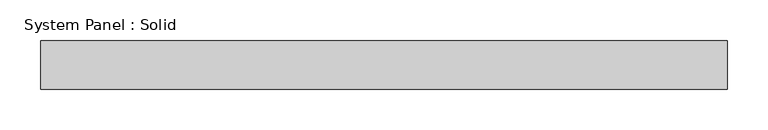
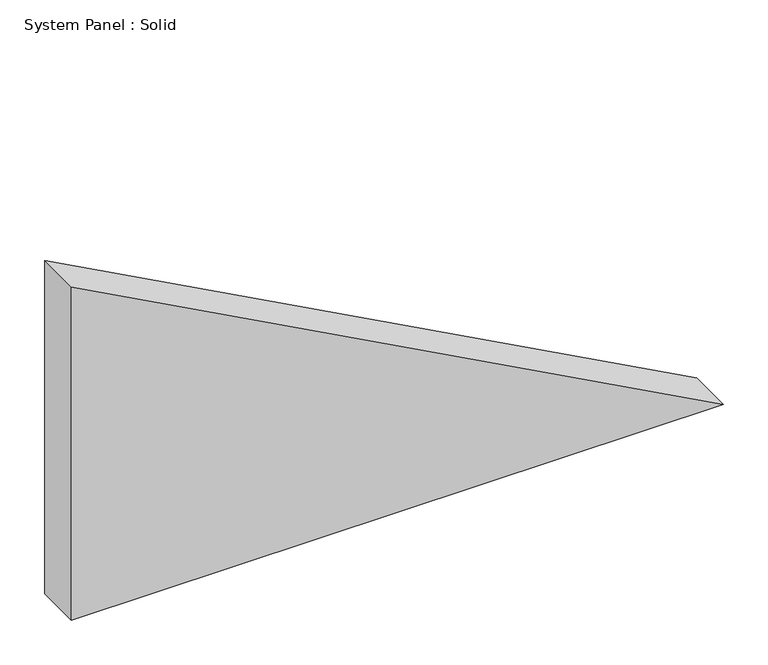
"""IFC4 building model written with IfcOpenShell, lengths in millimetres: plate geometry, System Panel : Solid."""

from ifc_helpers import new_model, si_unit, frame, origin, place, context, project, spatial, polyline, outline, extrude, source, transform, mapped, element, save


def system_panel_solid_f6b93f71(model_context):
    return source(origin(), model_context, "Body", "SweptSolid", [
        extrude(outline(polyline([(0.0, -423.0419314), (0.0, 423.0419314), (457.4136524, -423.0419314), (0.0, -423.0419314)])), frame((0.0, -10.5, 0.0), z_axis=(0.0, 1.0, 0.0), x_axis=(0.0, 0.0, 1.0)), (0.0, 0.0, 1.0), 60.0),
    ])


if __name__ == "__main__":
    model = new_model("IFC4")
    model_context = context("Model", 3, world=origin())
    ifc_project = project(units=[si_unit("LENGTHUNIT", "METRE", prefix="MILLI")], contexts=[model_context])
    site = spatial("IfcSite", under=ifc_project)
    building = spatial("IfcBuilding", under=site)
    placement = place(None, origin())
    system_panel_solid_shape = system_panel_solid_f6b93f71(model_context)
    element("IfcPlate", 1, ObjectType="System Panel : Solid", at=placement, inside=building, context=model_context, shape_type="MappedRepresentation", body=[
        mapped(system_panel_solid_shape, transform((0.0, 0.0, 0.0), x_axis=(1.0, 0.0, 0.0), y_axis=(0.0, 1.0, 0.0), z_axis=(0.0, 0.0, 1.0))),
    ])
    save(model, "model.ifc")
